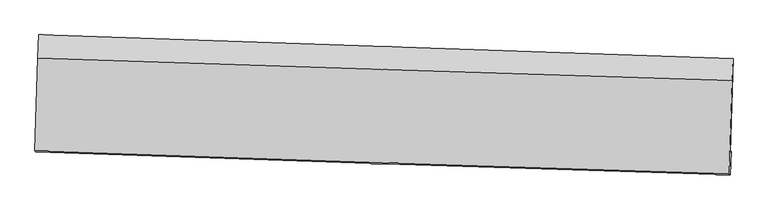
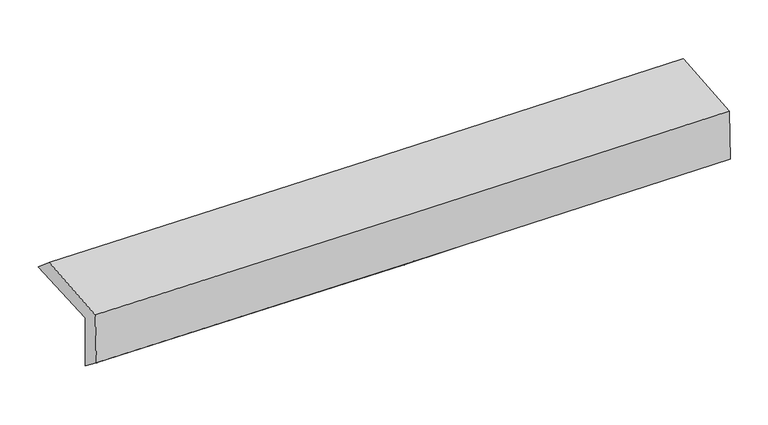
"""IFC4 building model written with IfcOpenShell, lengths in millimetres: proxy geometry."""

from ifc_helpers import new_model, si_unit, frame, origin, place, context, project, spatial, source, transform, mapped, element, save
from ifc_brep_helpers import plane_surface, spline_curve, spline_surface, advanced_brep


def generic_models_2bb3f10c(model_context):
    return source(origin(), model_context, "Body", "AdvancedBrep", [
        advanced_brep(
        [(-2435.9137433, -1718.9792197, 1994.4668592), (-2416.3803092, -1051.8181638, 2002.436888), (2423.5921196, -1217.3746953, 2091.6002413), (2403.6602427, -1877.1958582, 2083.708896), (-2429.7716198, -1707.5741696, 1589.6416661), (2409.8023662, -1865.7908081, 1678.8837029), (-2436.4063329, -1871.0066442, 1716.652285), (2403.1708883, -2028.9372595, 1795.8973108), (-2441.8109883, -1863.6861528, 2108.5087746), (2397.7832786, -2021.617278, 2187.7540446), (-2423.0902263, -1213.4430722, 2138.4024003), (2417.1085137, -1371.3922798, 2217.6563321)],
        [
            (0, 1),
            (1, 2, spline_curve(3, [(-2416.3803092, -1051.8181638, 2002.436888), (-1606.24526162, -1078.287137493, 2009.966817392), (-796.19031921, -1105.377212565, 2021.20776288), (817.132518433, -1160.572844483, 2050.989355726), (1620.401718747, -1188.668280208, 2069.469528063), (2423.5921196, -1217.3746953, 2091.6002413)], [4, 2, 4], [0.0, 7.977781291737149, 15.89029208765134])),
            (2, 3),
            (3, 0, spline_curve(3, [(2403.6602427, -1877.1958582, 2083.708896), (1600.464812392, -1852.090642255, 2061.536634697), (797.226018421, -1826.409845437, 2043.029100058), (-815.964591864, -1773.680501262, 2013.221044049), (-1625.917126447, -1746.62241829, 2001.981233514), (-2435.9137433, -1718.9792197, 1994.4668592)], [4, 2, 4], [0.0, 7.91251079591419, 15.89029208765134])),
            (4, 0),
            (3, 5),
            (5, 4, spline_curve(3, [(2409.8023662, -1865.7908081, 1678.8837029), (1606.657277696, -1840.592114786, 1653.393442457), (803.443757743, -1814.864387712, 1633.220093604), (-809.746437281, -1762.134272017, 1603.384667478), (-1619.724245935, -1735.123120045, 1593.810670841), (-2429.7716198, -1707.5741696, 1589.6416661)], [4, 2, 4], [0.0, 7.91204041939202, 15.88934745445952])),
            (6, 4),
            (5, 7),
            (7, 6, spline_curve(3, [(2403.1708883, -2028.9372595, 1795.8973108), (1599.874233221, -2004.066874203, 1782.034004011), (796.584351193, -1978.527615117, 1768.524265639), (-816.608167877, -1925.895157148, 1742.103399991), (-1626.510693131, -1898.790878133, 1729.198129712), (-2436.4063329, -1871.0066442, 1716.652285)], [4, 2, 4], [0.0, 7.9118012182899164, 15.88886707907955])),
            (8, 6),
            (7, 9),
            (9, 8, spline_curve(3, [(2397.7832786, -2021.617278, 2187.7540446), (1594.483771044, -1996.746805992, 2173.890697029), (791.191048281, -1971.207461265, 2160.380917861), (-822.007153307, -1918.574833503, 2133.959970835), (-1631.912519475, -1891.470469801, 2121.054659778), (-2441.8109883, -1863.6861528, 2108.5087746)], [4, 2, 4], [0.0, 7.911615290032644, 15.888493688838246])),
            (10, 8),
            (9, 11),
            (11, 10, spline_curve(3, [(2417.1085137, -1371.3922798, 2217.6563321), (1613.707851312, -1346.518735395, 2203.791536377), (810.314383537, -1320.97635329, 2190.280314289), (-803.085315828, -1268.337697518, 2163.856479747), (-1613.091427947, -1241.230343616, 2150.949724646), (-2423.0902263, -1213.4430722, 2138.4024003)], [4, 2, 4], [0.0, 7.912123247893686, 15.889513794717196])),
            (1, 10),
            (11, 2),
        ],
        [
            spline_surface(3, 3, [[(-2435.9137433, -1718.9792197, 1994.4668592), (-1625.917126466, -1746.622418394, 2001.981233391), (-815.964591864, -1773.680501162, 2013.221044152), (797.22601842, -1826.409845536, 2043.029099955), (1600.464812508, -1852.090642269, 2061.5366348), (2403.6602427, -1877.1958582, 2083.708896)], [(-2429.402598608, -1496.592201075, 1997.123535469), (-1619.359838207, -1523.84399147, 2004.643094713), (-809.373167624, -1550.912738263, 2015.883283707), (803.86151841, -1604.464178519, 2045.682518567), (1607.110447943, -1630.949854886, 2064.180932568), (2410.304201672, -1657.255470552, 2086.339344437)], [(-2422.891453892, -1274.205182425, 1999.780211731), (-1612.802549925, -1301.06556452, 2007.304956028), (-802.781743395, -1328.144975412, 2018.545523262), (810.497018389, -1382.518511551, 2048.335937178), (1613.756083361, -1409.809067548, 2066.825230326), (2416.948160628, -1437.315082948, 2088.969792863)], [(-2416.3803092, -1051.8181638, 2002.436888), (-1606.245261666, -1078.287137595, 2009.96681735), (-796.190319155, -1105.377212513, 2021.207762816), (817.132518378, -1160.572844534, 2050.989355789), (1620.401718796, -1188.668280165, 2069.469528094), (2423.5921196, -1217.3746953, 2091.6002413)]], [4, 4], [4, 2, 4], [0.0, 2.1897073896416064], [0.0, 7.977781291737149, 15.89029208765134]),
            spline_surface(3, 3, [[(-2429.7716198, -1707.5741696, 1589.6416661), (-1619.724246065, -1735.123119944, 1593.810670813), (-809.746437277, -1762.13427213, 1603.384667511), (803.443757739, -1814.8643876, 1633.220093571), (1606.65727764, -1840.592114915, 1653.39344248), (2409.8023662, -1865.7908081, 1678.8837029)], [(-2431.81899429, -1711.375852969, 1724.583397136), (-1621.788539521, -1738.956219429, 1729.867525008), (-811.819155469, -1765.983015152, 1739.996793063), (801.371177969, -1818.71287359, 1769.823095704), (1604.593122606, -1844.424957368, 1789.441173256), (2407.75499171, -1869.592491469, 1813.825433936)], [(-2433.86636881, -1715.177536331, 1859.525128164), (-1623.852833009, -1742.789318909, 1865.924379196), (-813.891873672, -1769.831758141, 1876.608918601), (799.29859819, -1822.561359546, 1906.426097823), (1602.528967542, -1848.257799816, 1925.488904024), (2405.70761719, -1873.394174831, 1948.767164964)], [(-2435.9137433, -1718.9792197, 1994.4668592), (-1625.917126466, -1746.622418394, 2001.981233391), (-815.964591864, -1773.680501162, 2013.221044152), (797.22601842, -1826.409845536, 2043.029099955), (1600.464812508, -1852.090642269, 2061.5366348), (2403.6602427, -1877.1958582, 2083.708896)]], [4, 4], [4, 2, 4], [0.0, 1.3452509036786404], [0.0, 7.9773070350675, 15.88934745445952]),
            spline_surface(3, 3, [[(-2436.4063329, -1871.0066442, 1716.652285), (-1626.51069318, -1898.790878009, 1729.198129669), (-816.608167978, -1925.895157243, 1742.103399902), (796.584351293, -1978.527615024, 1768.524265727), (1599.874233162, -2004.066874269, 1782.034004135), (2403.1708883, -2028.9372595, 1795.8973108)], [(-2434.194761877, -1816.529152654, 1674.315412021), (-1624.248544152, -1844.234958642, 1684.068976704), (-814.32092443, -1871.308195533, 1695.863822427), (798.870820089, -1923.973205877, 1723.422874997), (1602.13524797, -1949.575287827, 1739.153816922), (2405.381380915, -1974.555109043, 1756.892774838)], [(-2431.983190823, -1762.051661146, 1631.978539079), (-1621.986395093, -1789.679039311, 1638.939823777), (-812.033680824, -1816.72123384, 1649.624244986), (801.157288943, -1869.418796747, 1678.321484301), (1604.396262832, -1895.083701357, 1696.273629693), (2407.591873585, -1920.172958557, 1717.888238862)], [(-2429.7716198, -1707.5741696, 1589.6416661), (-1619.724246065, -1735.123119944, 1593.810670813), (-809.746437277, -1762.13427213, 1603.384667511), (803.443757739, -1814.8643876, 1633.220093571), (1606.65727764, -1840.592114915, 1653.39344248), (2409.8023662, -1865.7908081, 1678.8837029)]], [4, 4], [4, 2, 4], [0.0, 0.700785758232605], [0.0, 7.977065860789633, 15.88886707907955]),
            spline_surface(3, 3, [[(-2441.8109883, -1863.6861528, 2108.5087746), (-1631.912519357, -1891.470469918, 2121.054659847), (-822.0071532, -1918.574833499, 2133.959970724), (791.191048176, -1971.207461269, 2160.380917971), (1594.483770963, -1996.746806123, 2173.890697097), (2397.7832786, -2021.617278, 2187.7540446)], [(-2440.009436483, -1866.126316604, 1977.889944753), (-1630.111910614, -1893.910605952, 1990.435816474), (-820.207491449, -1921.014941425, 2003.341113775), (792.988815892, -1973.647512531, 2029.76203388), (1596.2805917, -1999.186828837, 2043.271799443), (2399.579148503, -2024.057271832, 2057.135133334)], [(-2438.207884717, -1868.566480396, 1847.271114847), (-1628.311301923, -1896.350741975, 1859.816973042), (-818.407829729, -1923.455049317, 1872.722256852), (794.786583576, -1976.087563761, 1899.143149818), (1598.077412426, -2001.626851554, 1912.652901789), (2401.375018397, -2026.497265668, 1926.516222066)], [(-2436.4063329, -1871.0066442, 1716.652285), (-1626.51069318, -1898.790878009, 1729.198129669), (-816.608167978, -1925.895157243, 1742.103399902), (796.584351293, -1978.527615024, 1768.524265727), (1599.874233162, -2004.066874269, 1782.034004135), (2403.1708883, -2028.9372595, 1795.8973108)]], [4, 4], [4, 2, 4], [0.0, 1.2859649806207232], [0.0, 7.976878398805601, 15.888493688838246]),
            spline_surface(3, 3, [[(-2423.0902263, -1213.4430722, 2138.4024003), (-1613.091427929, -1241.23034361, 2150.949724543), (-803.085315736, -1268.337697474, 2163.856479717), (810.314383445, -1320.976353333, 2190.280314318), (1613.707851266, -1346.518735301, 2203.791536412), (2417.1085137, -1371.3922798, 2217.6563321)], [(-2429.3304803, -1430.190765756, 2128.437858407), (-1619.365125072, -1457.977052403, 2140.984702985), (-809.392594906, -1485.083409481, 2153.890976725), (803.93993834, -1537.720055976, 2180.313848874), (1607.299824516, -1563.261425563, 2193.824589979), (2410.666768685, -1588.133945855, 2207.688902939)], [(-2435.5707343, -1646.938459244, 2118.473316493), (-1625.638822214, -1674.723761126, 2131.019681406), (-815.699874031, -1701.829121493, 2143.925473717), (797.565493281, -1754.463758626, 2170.347383415), (1600.891797713, -1780.004115861, 2183.85764353), (2404.225023615, -1804.875611945, 2197.721473761)], [(-2441.8109883, -1863.6861528, 2108.5087746), (-1631.912519357, -1891.470469918, 2121.054659847), (-822.0071532, -1918.574833499, 2133.959970724), (791.191048176, -1971.207461269, 2160.380917971), (1594.483770963, -1996.746806123, 2173.890697097), (2397.7832786, -2021.617278, 2187.7540446)]], [4, 4], [4, 2, 4], [0.0, 2.136479714581218], [0.0, 7.97739054682351, 15.889513794717196]),
            spline_surface(3, 3, [[(-2416.3803092, -1051.8181638, 2002.436888), (-1606.245261666, -1078.287137595, 2009.96681735), (-796.190319155, -1105.377212513, 2021.207762816), (817.132518378, -1160.572844534, 2050.989355789), (1620.401718796, -1188.668280165, 2069.469528094), (2423.5921196, -1217.3746953, 2091.6002413)], [(-2418.616948243, -1105.693133241, 2047.758725415), (-1608.527317097, -1132.601539575, 2056.96111973), (-798.488651332, -1159.697374168, 2068.757335128), (814.85980675, -1214.040680802, 2097.41967531), (1618.170429601, -1241.28509856, 2114.24353085), (2421.430917615, -1268.713890149, 2133.618938217)], [(-2420.853587257, -1159.568102759, 2093.080562885), (-1610.809372499, -1186.915941631, 2103.955422164), (-800.786983559, -1214.017535819, 2116.306907406), (812.587095073, -1267.508517065, 2143.849994797), (1615.939140461, -1293.901916907, 2159.017533656), (2419.269715685, -1320.053084951, 2175.637635183)], [(-2423.0902263, -1213.4430722, 2138.4024003), (-1613.091427929, -1241.23034361, 2150.949724543), (-803.085315736, -1268.337697474, 2163.856479717), (810.314383445, -1320.976353333, 2190.280314318), (1613.707851266, -1346.518735301, 2203.791536412), (2417.1085137, -1371.3922798, 2217.6563321)]], [4, 4], [4, 2, 4], [0.0, 0.7041801161360184], [0.0, 7.978072128267032, 15.890871381221892]),
            plane_surface(frame((2409.1862348, -1730.3846965, 2009.2500879), z_axis=(0.9994365481292992, -0.030362103452306055, 0.014308352013513145), x_axis=(0.013745230344209658, -0.01867522653261745, -0.999731116129102))),
            plane_surface(frame((-2430.5622033, -1571.0845704, 1925.0181455), z_axis=(-0.9994639315088463, 0.029433990982619552, -0.014334914988082018), x_axis=(-0.02926381135038806, -0.9995004054978465, -0.011940215864443854))),
        ],
        [
            (0, [[1, 2, 3, 4]]),
            (1, [[5, -4, 6, 7]]),
            (2, [[8, -7, 9, 10]]),
            (3, [[11, -10, 12, 13]]),
            (4, [[14, -13, 15, 16]]),
            (5, [[17, -16, 18, -2]]),
            (6, [[-12, -9, -6, -3, -18, -15]]),
            (7, [[-1, -5, -8, -11, -14, -17]]),
        ],
    ),
    ])


if __name__ == "__main__":
    model = new_model("IFC4")
    model_context = context("Model", 3, world=origin())
    ifc_project = project(units=[si_unit("LENGTHUNIT", "METRE", prefix="MILLI")], contexts=[model_context])
    site = spatial("IfcSite", under=ifc_project)
    building = spatial("IfcBuilding", under=site)
    placement = place(None, origin())
    generic_models_shape = generic_models_2bb3f10c(model_context)
    element("IfcBuildingElementProxy", 1, Name="Generic Models", at=placement, inside=building, context=model_context, shape_type="MappedRepresentation", body=[
        mapped(generic_models_shape, transform((0.0, 0.0, 0.0), x_axis=(1.0, 0.0, 0.0), y_axis=(0.0, 1.0, 0.0), z_axis=(0.0, 0.0, 1.0))),
    ])
    save(model, "model.ifc")
